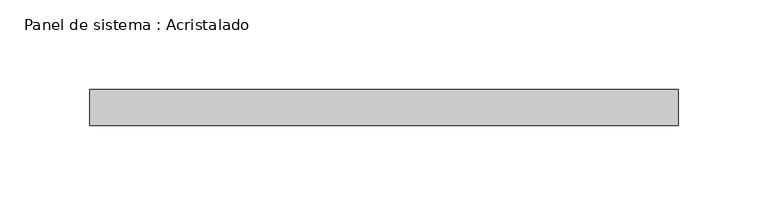
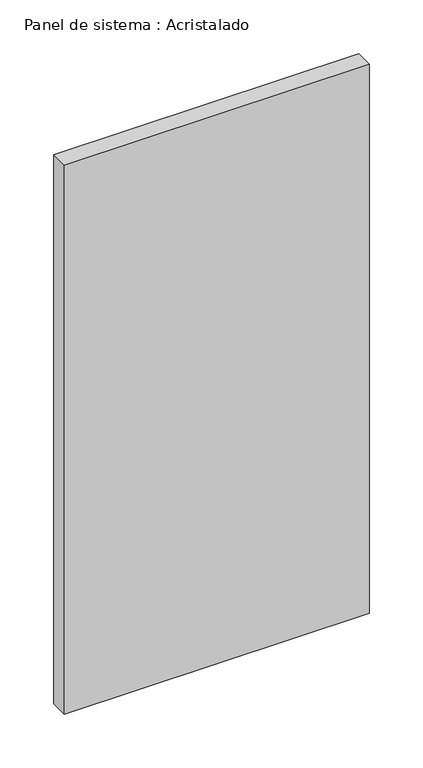
"""IFC4 building model written with IfcOpenShell, lengths in millimetres: plate geometry, Panel de sistema : Acristalado."""

from ifc_helpers import new_model, si_unit, origin, origin_with_axes, place, context, project, spatial, polyline, outline, extrude, source, transform, mapped, element, save


def panel_de_sistema_acristalado_b2a7e71b(model_context):
    return source(origin(), model_context, "Body", "SweptSolid", [
        extrude(outline(polyline([(164.1666667, -10.0), (-164.1666667, -10.0), (-164.1666667, 10.0), (164.1666667, 10.0), (164.1666667, -10.0)])), origin_with_axes(), (0.0, 0.0, 1.0), 625.0),
    ])


if __name__ == "__main__":
    model = new_model("IFC4")
    model_context = context("Model", 3, world=origin())
    ifc_project = project(units=[si_unit("LENGTHUNIT", "METRE", prefix="MILLI")], contexts=[model_context])
    site = spatial("IfcSite", under=ifc_project)
    building = spatial("IfcBuilding", under=site)
    placement = place(None, origin())
    panel_de_sistema_acristalado_shape = panel_de_sistema_acristalado_b2a7e71b(model_context)
    element("IfcPlate", 1, ObjectType="Panel de sistema : Acristalado", at=placement, inside=building, context=model_context, shape_type="MappedRepresentation", body=[
        mapped(panel_de_sistema_acristalado_shape, transform((0.0, 0.0, 0.0), x_axis=(1.0, 0.0, 0.0), y_axis=(0.0, 1.0, 0.0), z_axis=(0.0, 0.0, 1.0))),
    ])
    save(model, "model.ifc")
